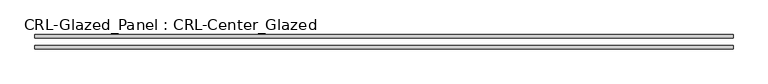
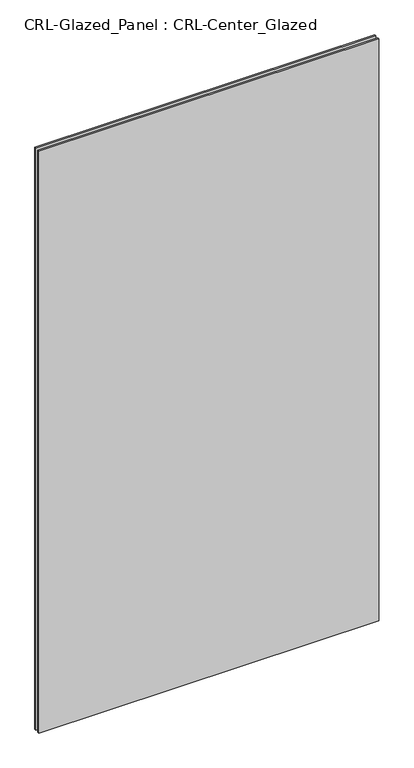
"""IFC4 building model written with IfcOpenShell, lengths in millimetres: plate geometry, CRL-Glazed_Panel : CRL-Center_Glazed."""

from ifc_helpers import new_model, si_unit, origin, origin_with_axes, place, context, project, spatial, polyline, outline, extrude, source, transform, mapped, element, save


def crl_glazed_panel_crl_center_glazed_2661c670(model_context):
    return source(origin(), model_context, "Body", "SweptSolid", [
        extrude(outline(polyline([(622.2694344, 12.7), (622.2694344, 6.35), (-622.2694344, 6.35), (-622.2694344, 12.7), (622.2694344, 12.7)])), origin_with_axes(), (0.0, 0.0, 1.0), 2252.8534064),
        extrude(outline(polyline([(-622.2694344, -6.35), (622.2694344, -6.35), (622.2694344, -12.7), (-622.2694344, -12.7), (-622.2694344, -6.35)])), origin_with_axes(), (0.0, 0.0, 1.0), 2252.8534064),
    ])


if __name__ == "__main__":
    model = new_model("IFC4")
    model_context = context("Model", 3, world=origin())
    ifc_project = project(units=[si_unit("LENGTHUNIT", "METRE", prefix="MILLI")], contexts=[model_context])
    site = spatial("IfcSite", under=ifc_project)
    building = spatial("IfcBuilding", under=site)
    placement = place(None, origin())
    crl_glazed_panel_crl_center_glazed_shape = crl_glazed_panel_crl_center_glazed_2661c670(model_context)
    element("IfcPlate", 1, ObjectType="CRL-Glazed_Panel : CRL-Center_Glazed", at=placement, inside=building, context=model_context, shape_type="MappedRepresentation", body=[
        mapped(crl_glazed_panel_crl_center_glazed_shape, transform((0.0, 0.0, 0.0), x_axis=(1.0, 0.0, 0.0), y_axis=(0.0, 1.0, 0.0), z_axis=(0.0, 0.0, 1.0))),
    ])
    save(model, "model.ifc")
